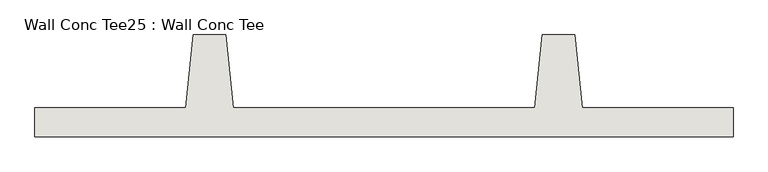
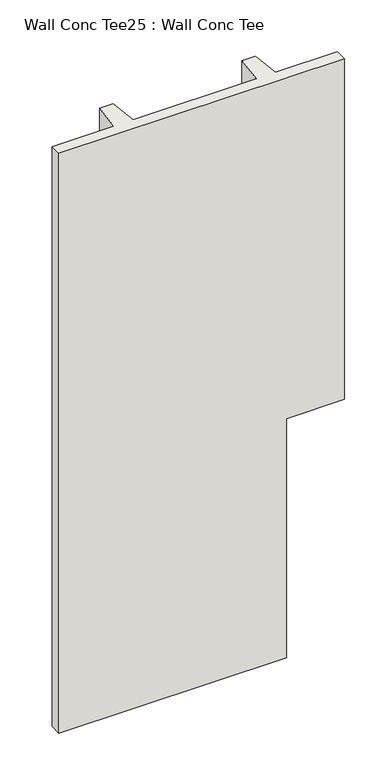
"""IFC4 building model written with IfcOpenShell, lengths in millimetres: wall geometry, Wall Conc Tee25 : Wall Conc Tee."""

import ifcopenshell
import ifcopenshell.guid

model = None  # the IFC model being written
_history = None  # IfcOwnerHistory: only IFC2X3 demands one
_inside = {}  # id of a spatial element -> (the spatial element, [elements in it])
_under = {}  # id of a project, library or spatial element -> (it, [spatial elements below it])
_declared = {}  # id of a project -> (the project, [libraries it declares])
_typed = {}  # id of a type object -> (the type object, [elements of that type])
_made_of = {}  # id of a material, layer set ... -> (it, [elements and type objects made of it])


def new_model(schema):
    """Start an empty IFC model of exactly this schema.

    Asked for "IFC4X3", IfcOpenShell would pick the latest addendum, in which some entities
    have other attributes; the version numbers below select the first issue.
    IFC2X3 requires an IfcOwnerHistory on every rooted entity: one is made here for all.
    """
    global model, _history
    if schema == "IFC4X3":
        model = ifcopenshell.file(schema_version=(4, 3, 0, 0))
    else:
        model = ifcopenshell.file(schema=schema)
    _inside.clear()
    _under.clear()
    _declared.clear()
    _typed.clear()
    _made_of.clear()
    _history = None
    if model.schema == "IFC2X3":
        org = make("IfcOrganization", Name="unknown")
        user = make(
            "IfcPersonAndOrganization",
            ThePerson=make("IfcPerson", FamilyName="unknown"),
            TheOrganization=org,
        )
        app = make(
            "IfcApplication",
            ApplicationDeveloper=org,
            Version="unknown",
            ApplicationFullName="unknown",
            ApplicationIdentifier="unknown",
        )
        _history = make(
            "IfcOwnerHistory",
            OwningUser=user,
            OwningApplication=app,
            ChangeAction="ADDED",
            CreationDate=0,
        )
    return model


def make(cls, **values):
    """One entity of the class cls with the attributes given. An attribute that is None is left unset."""
    return model.create_entity(
        cls, **{name: value for name, value in values.items() if value is not None}
    )


def rooted(cls, **values):
    """An entity with a GlobalId (a new one), such as an element, a storey or a relation."""
    return make(cls, GlobalId=ifcopenshell.guid.new(), OwnerHistory=_history, **values)


def si_unit(unit_type, name, prefix=None):
    """IfcSIUnit, for example si_unit("LENGTHUNIT", "METRE", prefix="MILLI")."""
    return make("IfcSIUnit", UnitType=unit_type, Prefix=prefix, Name=name)


def assignment(units):
    """IfcUnitAssignment: the units of a project."""
    return None if units is None else make("IfcUnitAssignment", Units=units)


def point(xyz):
    """IfcCartesianPoint."""
    return None if xyz is None else make("IfcCartesianPoint", Coordinates=xyz)


def direction(xyz):
    """IfcDirection."""
    return None if xyz is None else make("IfcDirection", DirectionRatios=xyz)


def frame(location, z_axis=None, x_axis=None):
    """IfcAxis2Placement3D, a coordinate frame: its origin and axes. An axis left out is left unset."""
    return make(
        "IfcAxis2Placement3D",
        Location=point(location),
        Axis=direction(z_axis),
        RefDirection=direction(x_axis),
    )


def origin():
    """The frame at (0, 0, 0) with its axes left unset."""
    return frame((0.0, 0.0, 0.0))


def place(relative_to, where):
    """IfcLocalPlacement: puts the frame where relative to a parent placement (None: the world)."""
    return make(
        "IfcLocalPlacement", PlacementRelTo=relative_to, RelativePlacement=where
    )


def context(
    kind, dimensions, precision=None, world=None, true_north=None, identifier=None
):
    """IfcGeometricRepresentationContext, for example the 3D "Model" context."""
    return make(
        "IfcGeometricRepresentationContext",
        ContextIdentifier=identifier,
        ContextType=kind,
        CoordinateSpaceDimension=dimensions,
        Precision=precision,
        WorldCoordinateSystem=world,
        TrueNorth=true_north,
    )


def project(units=None, contexts=None):
    """IfcProject with its units and contexts."""
    return rooted(
        "IfcProject",
        Name="project",
        RepresentationContexts=contexts,
        UnitsInContext=assignment(units),
    )


def spatial(cls, under=None, at=None, **own):
    """A site, building, storey or space (cls), placed at a placement, below another one or the project."""
    s = rooted(cls, ObjectPlacement=at, **own)
    if under is not None:
        _under.setdefault(under.id(), (under, []))[1].append(s)
    return s


def faces_of(points, faces, orient=None, outer=None):
    """IfcFace entities. A face is a list of loops; a loop is a list of indices into points, from 0.

    orient and outer hold one flag for each loop. By default every Orientation is true, the
    first loop of a face is its IfcFaceOuterBound and the others are IfcFaceBound.
    """
    made = []
    for i, loops in enumerate(faces):
        bounds = []
        for j, loop in enumerate(loops):
            is_outer = j == 0 if outer is None else outer[i][j]
            bounds.append(
                make(
                    "IfcFaceOuterBound" if is_outer else "IfcFaceBound",
                    Bound=make("IfcPolyLoop", Polygon=[points[k] for k in loop]),
                    Orientation=True if orient is None else orient[i][j],
                )
            )
        made.append(make("IfcFace", Bounds=bounds))
    return made


def faceted_brep(points, faces, orient=None, outer=None, voids=None):
    """IfcFacetedBrep: a solid bounded by flat faces; with voids (closed shells), ...WithVoids."""
    shared = [point(p) for p in points]
    hull = make("IfcClosedShell", CfsFaces=faces_of(shared, faces, orient, outer))
    if voids is None:
        return make("IfcFacetedBrep", Outer=hull)
    return make(
        "IfcFacetedBrepWithVoids",
        Outer=hull,
        Voids=[
            make(cls, CfsFaces=faces_of(shared, fs, o, b)) for cls, fs, o, b in voids
        ],
    )


def shape(context_of_items, identifier, shape_type, items):
    """IfcShapeRepresentation: the items that make up one representation, for example the "Body"."""
    return make(
        "IfcShapeRepresentation",
        ContextOfItems=context_of_items,
        RepresentationIdentifier=identifier,
        RepresentationType=shape_type,
        Items=items,
    )


def source(mapping_origin, context_of_items, identifier, shape_type, items):
    """IfcRepresentationMap: a shape defined once, which mapped items show again and again."""
    return make(
        "IfcRepresentationMap",
        MappingOrigin=mapping_origin,
        MappedRepresentation=shape(context_of_items, identifier, shape_type, items),
    )


def transform(
    local_origin,
    x_axis=None,
    y_axis=None,
    z_axis=None,
    scale=None,
    scale2=None,
    scale3=None,
    uniform=True,
):
    """IfcCartesianTransformationOperator3D, or its non-uniform kind. x_axis, y_axis, z_axis: its Axis1, 2, 3."""
    if uniform:
        return make(
            "IfcCartesianTransformationOperator3D",
            Axis1=direction(x_axis),
            Axis2=direction(y_axis),
            LocalOrigin=point(local_origin),
            Scale=scale,
            Axis3=direction(z_axis),
        )
    return make(
        "IfcCartesianTransformationOperator3DnonUniform",
        Axis1=direction(x_axis),
        Axis2=direction(y_axis),
        LocalOrigin=point(local_origin),
        Scale=scale,
        Axis3=direction(z_axis),
        Scale2=scale2,
        Scale3=scale3,
    )


def mapped(mapping_source, mapping_target):
    """IfcMappedItem: shows the shape of a source again, moved by a transform."""
    return make(
        "IfcMappedItem", MappingSource=mapping_source, MappingTarget=mapping_target
    )


def made_of(thing, what):
    """Note that an element or type object is made of a material, layer set ...; save() writes the relation."""
    if what is not None:
        _made_of.setdefault(what.id(), (what, []))[1].append(thing)
    return thing


def element(
    cls,
    number,
    at=None,
    inside=None,
    cuts=None,
    type_object=None,
    material=None,
    context=None,
    identifier="Body",
    shape_type=None,
    held_by="IfcProductDefinitionShape",
    body=None,
    shapes=None,
    **own,
):
    """One element of the class cls, such as IfcWall. Its Tag is "e" and its number.

    at: its placement. inside: the storey or other place that contains it. cuts: it is an
    opening in that element (IfcRelVoidsElement). A single representation is given by context,
    identifier, shape_type and body (its items); several are given by shapes. held_by: the class
    of the entity that holds the representations. save() writes the other relations.
    """
    e = rooted(cls, Tag="e%d" % number, ObjectPlacement=at, **own)
    if body is not None:
        shapes = [shape(context, identifier, shape_type, body)]
    if shapes is not None:
        e.Representation = make(held_by, Representations=shapes)
    if inside is not None:
        _inside.setdefault(inside.id(), (inside, []))[1].append(e)
    if cuts is not None:
        rooted(
            "IfcRelVoidsElement", RelatingBuildingElement=cuts, RelatedOpeningElement=e
        )
    if type_object is not None:
        _typed.setdefault(type_object.id(), (type_object, []))[1].append(e)
    return made_of(e, material)


def aggregate(whole, parts):
    """IfcRelAggregates: a whole, such as a stair, and the parts it consists of."""
    return rooted("IfcRelAggregates", RelatingObject=whole, RelatedObjects=parts)


def save(model, path):
    """Write the relations noted so far, then the file.

    IfcRelAggregates (storeys below a building ...), IfcRelContainedInSpatialStructure (elements
    in a storey), IfcRelDefinesByType, IfcRelAssociatesMaterial and IfcRelDeclares: one each for
    every whole, place, type object, material and project.
    """
    for whole, parts in _under.values():
        aggregate(whole, parts)
    for where, things in _inside.values():
        rooted(
            "IfcRelContainedInSpatialStructure",
            RelatedElements=things,
            RelatingStructure=where,
        )
    for kind, things in _typed.values():
        rooted("IfcRelDefinesByType", RelatedObjects=things, RelatingType=kind)
    for what, things in _made_of.values():
        rooted("IfcRelAssociatesMaterial", RelatedObjects=things, RelatingMaterial=what)
    for by, libraries in _declared.values():
        rooted("IfcRelDeclares", RelatingContext=by, RelatedDefinitions=libraries)
    model.write(path)


def wall_conc_tee25_wall_conc_tee_6c39a46f(model_context):
    return source(origin(), model_context, "Body", "Brep", [
        faceted_brep([(229680.2728488, 180886.8596581, 5376.1679688), (232118.6728488, 180886.8596581, 5376.1679688), (232118.6728488, 180988.4596581, 5376.1679688), (231591.6228488, 180988.4596581, 5376.1679688), (231566.2228488, 181242.4596581, 5376.1679688), (231451.9228488, 181242.4596581, 5376.1679688), (231426.5228488, 180988.4596581, 5376.1679688), (230372.4228488, 180988.4596581, 5376.1679688), (230347.0228488, 181242.4596581, 5376.1679688), (230232.7228488, 181242.4596581, 5376.1679688), (230207.3228488, 180988.4596581, 5376.1679688), (229680.2728488, 180988.4596581, 5376.1679688), (231566.2228488, 181242.4596581, 143.7592564), (231591.6228488, 180988.4596581, 143.7592564), (231623.3728488, 180988.4596581, 143.7592564), (231623.3728488, 180886.8596581, 143.7592564), (229680.2728488, 180886.8596581, 143.7592564), (229680.2728488, 180988.4596581, 143.7592564), (230207.3228488, 180988.4596581, 143.7592564), (230232.7228488, 181242.4596581, 143.7592564), (230347.0228488, 181242.4596581, 143.7592564), (230372.4228488, 180988.4596581, 143.7592564), (231426.5228488, 180988.4596581, 143.7592564), (231451.9228488, 181242.4596581, 143.7592564), (231623.3728488, 180886.8596581, 2302.7592564), (232118.6728488, 180886.8596581, 2302.7592564), (232118.6728488, 180988.4596581, 2302.7592564), (231623.3728488, 180988.4596581, 2302.7592564)], [[[0, 1, 2, 3, 4, 5, 6, 7, 8, 9, 10, 11]], [[12, 13, 14, 15, 16, 17, 18, 19, 20, 21, 22, 23]], [[1, 0, 16, 15, 24, 25]], [[0, 11, 17, 16]], [[11, 10, 18, 17]], [[10, 9, 19, 18]], [[9, 8, 20, 19]], [[8, 7, 21, 20]], [[7, 6, 22, 21]], [[6, 5, 23, 22]], [[5, 4, 12, 23]], [[4, 3, 13, 12]], [[3, 2, 26, 27, 14, 13]], [[2, 1, 25, 26]], [[24, 27, 26, 25]], [[27, 24, 15, 14]]]),
    ])


if __name__ == "__main__":
    model = new_model("IFC4")
    model_context = context("Model", 3, world=origin())
    ifc_project = project(units=[si_unit("LENGTHUNIT", "METRE", prefix="MILLI")], contexts=[model_context])
    site = spatial("IfcSite", under=ifc_project)
    building = spatial("IfcBuilding", under=site)
    placement = place(None, origin())
    wall_conc_tee25_wall_conc_tee_shape = wall_conc_tee25_wall_conc_tee_6c39a46f(model_context)
    element("IfcWall", 1, ObjectType="Wall Conc Tee25 : Wall Conc Tee", at=placement, inside=building, context=model_context, shape_type="MappedRepresentation", body=[
        mapped(wall_conc_tee25_wall_conc_tee_shape, transform((0.0, 0.0, 0.0), x_axis=(1.0, 0.0, 0.0), y_axis=(0.0, 1.0, 0.0), z_axis=(0.0, 0.0, 1.0))),
    ])
    save(model, "model.ifc")
